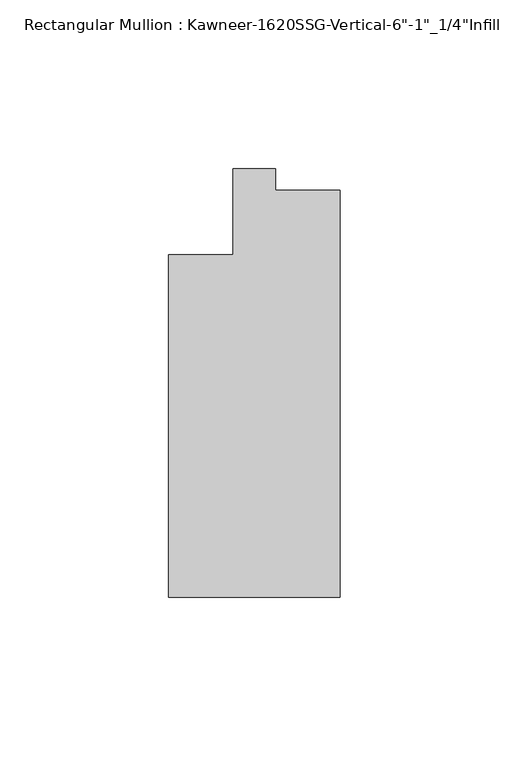
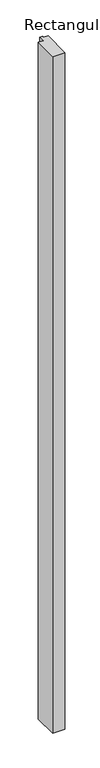
"""IFC4 building model written with IfcOpenShell, lengths in millimetres: member geometry."""

from ifc_helpers import new_model, si_unit, frame, origin, place, context, project, spatial, polyline, outline, extrude, source, transform, mapped, element, save


def member_4b6a1a82(model_context):
    return source(origin(), model_context, "Body", "SweptSolid", [
        extrude(outline(polyline([(25.4, -123.825), (-25.4, -123.825), (-25.4, -22.225), (-6.35, -22.225), (-6.35, 3.175), (6.35, 3.175), (6.35, -3.175), (25.4, -3.175), (25.4, -123.825)])), frame((0.0, 0.0, -2959.1), z_axis=(0.0, 0.0, 1.0), x_axis=(1.0, 0.0, 0.0)), (0.0, 0.0, 1.0), 2959.1),
    ])


if __name__ == "__main__":
    model = new_model("IFC4")
    model_context = context("Model", 3, world=origin())
    ifc_project = project(units=[si_unit("LENGTHUNIT", "METRE", prefix="MILLI")], contexts=[model_context])
    site = spatial("IfcSite", under=ifc_project)
    building = spatial("IfcBuilding", under=site)
    placement = place(None, origin())
    member_shape = member_4b6a1a82(model_context)
    element("IfcMember", 1, ObjectType="Rectangular Mullion : Kawneer-1620SSG-Vertical-6\"-1\"_1/4\"Infill", at=placement, inside=building, context=model_context, shape_type="MappedRepresentation", body=[
        mapped(member_shape, transform((0.0, 0.0, 0.0), x_axis=(1.0, 0.0, 0.0), y_axis=(0.0, 1.0, 0.0), z_axis=(0.0, 0.0, 1.0))),
    ])
    save(model, "model.ifc")
